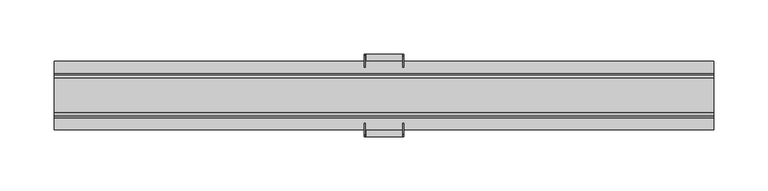
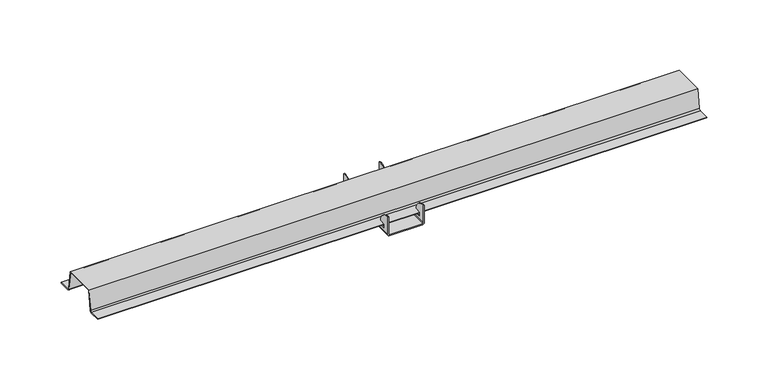
"""IFC4 building model written with IfcOpenShell, lengths in millimetres: proxy geometry."""

from ifc_helpers import new_model, si_unit, point, frame, frame_2d, origin, place, context, project, spatial, polyline, circle_curve, ellipse_curve, trimmed, segment, composite_curve, outline, extrude, source, transform, mapped, element, save
from ifc_brep_helpers import plane_surface, cylinder_surface, revolved_surface, extruded_surface, advanced_brep


def generic_models_40bfc8ae(model_context):
    return source(origin(), model_context, "Body", "SolidModel", [
        advanced_brep(
        [(-16.66875, 38.1, 0.0), (-18.2557888, 38.1, 1.6257615), (-18.2557888, 38.1, 20.1400311), (-17.4595611, 38.1, 20.1400311), (-17.4595611, 38.1, 1.5192584), (-16.66875, 38.1, 0.79375), (16.66875, 38.1, 0.79375), (17.4625, 38.1, 1.5875), (17.4625, 38.1, 20.1400311), (18.2557888, 38.1, 20.1400311), (18.2557888, 38.1, 1.5492385), (16.66875, 38.1, 0.0), (-16.66875, -38.1, 0.0), (16.66875, -38.1, 0.0), (18.2557888, -38.1, 1.5492385), (18.2557888, -38.1, 20.1400311), (17.4625, -38.1, 20.1400311), (17.4625, -38.1, 1.5875), (16.66875, -38.1, 0.79375), (-16.66875, -38.1, 0.79375), (-17.4595611, -38.1, 1.5192584), (-17.4595611, -38.1, 20.1400311), (-18.2557888, -38.1, 20.1400311), (-18.2557888, -38.1, 1.6257615), (-18.2557888, -36.4147924, 20.1400311), (-18.2557888, -25.6591837, 9.3265625), (-18.2557888, -32.1399308, 9.3265625), (-18.2557888, -32.1399308, 4.365625), (-18.2557888, 32.1399308, 4.365625), (-18.2557888, 32.1399308, 9.3265625), (-18.2557888, 25.6591837, 9.3265625), (-18.2557888, 36.4147924, 20.1400311), (-17.4595611, 36.4147924, 20.1400311), (-17.4595611, 25.6591837, 9.3265625), (-17.4595611, 32.1399308, 9.3265625), (-17.4595611, 32.1399308, 4.365625), (-17.4595611, -32.1399308, 4.365625), (-17.4595611, -32.1399308, 9.3265625), (-17.4595611, -25.6591837, 9.3265625), (-17.4595611, -36.4147924, 20.1400311), (17.4625, -36.4147924, 20.1400311), (17.4625, -25.6591837, 9.3265625), (17.4625, -32.1399308, 9.3265625), (17.4625, -32.1399308, 4.365625), (17.4625, 32.1399308, 4.365625), (17.4625, 32.1399308, 9.3265625), (17.4625, 25.6591837, 9.3265625), (17.4625, 36.4147924, 20.1400311), (18.2557888, 36.4147924, 20.1400311), (18.2557888, -36.4147924, 20.1400311), (18.2557888, 25.6591837, 9.3265625), (18.2557888, 32.1399308, 9.3265625), (18.2557888, 32.1399308, 4.365625), (18.2557888, -32.1399308, 4.365625), (18.2557888, -32.1399308, 9.3265625), (18.2557888, -25.6591837, 9.3265625)],
        [
            (0, 1, circle_curve(frame((-16.66875, 38.1, 1.5875), z_axis=(0.0, 1.0, 0.0), x_axis=(-1.0, 0.0, 0.0)), 1.5875)),
            (1, 2),
            (2, 3),
            (3, 4),
            (4, 5, circle_curve(frame((-16.66875, 38.1, 1.5875), z_axis=(0.0, -1.0, 0.0), x_axis=(-1.0, 0.0, 0.0)), 0.79375)),
            (5, 6),
            (6, 7, circle_curve(frame((16.66875, 38.1, 1.5875), z_axis=(0.0, -1.0, 0.0), x_axis=(0.0, 0.0, -1.0)), 0.79375)),
            (7, 8),
            (8, 9),
            (9, 10),
            (10, 11, circle_curve(frame((16.66875, 38.1, 1.5875), z_axis=(0.0, 1.0, 0.0), x_axis=(0.0, 0.0, -1.0)), 1.5875)),
            (11, 0),
            (12, 13),
            (13, 14, circle_curve(frame((16.66875, -38.1, 1.5875), z_axis=(0.0, -1.0, 0.0), x_axis=(0.0, 0.0, -1.0)), 1.5875)),
            (14, 15),
            (15, 16),
            (16, 17),
            (17, 18, circle_curve(frame((16.66875, -38.1, 1.5875), z_axis=(0.0, 1.0, 0.0), x_axis=(0.0, 0.0, -1.0)), 0.79375)),
            (18, 19),
            (19, 20, circle_curve(frame((-16.66875, -38.1, 1.5875), z_axis=(0.0, 1.0, 0.0), x_axis=(-1.0, 0.0, 0.0)), 0.79375)),
            (20, 21),
            (21, 22),
            (22, 23),
            (23, 12, circle_curve(frame((-16.66875, -38.1, 1.5875), z_axis=(0.0, -1.0, 0.0), x_axis=(-1.0, 0.0, 0.0)), 1.5875)),
            (0, 12),
            (23, 1),
            (22, 24),
            (24, 25, ellipse_curve(frame((-18.2557888, -38.1, 9.3265625), z_axis=(-1.0, 0.0, 0.0), x_axis=(0.0, 1.0, 0.0)), 12.4408163, 10.9140625)),
            (25, 26),
            (26, 27),
            (27, 28),
            (28, 29),
            (29, 30),
            (30, 31, ellipse_curve(frame((-18.2557888, 38.1, 9.3265625), z_axis=(-1.0, 0.0, 0.0), x_axis=(0.0, -1.0, 0.0)), 12.4408163, 10.9140625)),
            (31, 2),
            (3, 32),
            (32, 33, ellipse_curve(frame((-17.4595611, 38.1, 9.3265625), z_axis=(1.0, 0.0, 0.0), x_axis=(0.0, -1.0, 0.0)), 12.4408163, 10.9140625)),
            (33, 34),
            (34, 35),
            (35, 36),
            (36, 37),
            (37, 38),
            (38, 39, ellipse_curve(frame((-17.4595611, -38.1, 9.3265625), z_axis=(1.0, 0.0, 0.0), x_axis=(0.0, 1.0, 0.0)), 12.4408163, 10.9140625)),
            (39, 21),
            (20, 4),
            (19, 5),
            (18, 6),
            (17, 7),
            (16, 40),
            (40, 41, ellipse_curve(frame((17.4625, -38.1, 9.3265625), z_axis=(-1.0, 0.0, 0.0), x_axis=(0.0, 1.0, 0.0)), 12.4408163, 10.9140625)),
            (41, 42),
            (42, 43),
            (43, 44),
            (44, 45),
            (45, 46),
            (46, 47, ellipse_curve(frame((17.4625, 38.1, 9.3265625), z_axis=(-1.0, 0.0, 0.0), x_axis=(0.0, -1.0, 0.0)), 12.4408163, 10.9140625)),
            (47, 8),
            (47, 48),
            (48, 9),
            (15, 49),
            (49, 40),
            (48, 50, ellipse_curve(frame((18.2557888, 38.1, 9.3265625), z_axis=(1.0, 0.0, 0.0), x_axis=(0.0, -1.0, 0.0)), 12.4408163, 10.9140625)),
            (50, 51),
            (51, 52),
            (52, 53),
            (53, 54),
            (54, 55),
            (55, 49, ellipse_curve(frame((18.2557888, -38.1, 9.3265625), z_axis=(1.0, 0.0, 0.0), x_axis=(0.0, 1.0, 0.0)), 12.4408163, 10.9140625)),
            (14, 10),
            (13, 11),
            (27, 36),
            (35, 28),
            (43, 53),
            (52, 44),
            (34, 29),
            (51, 45),
            (33, 30),
            (50, 46),
            (32, 31),
            (38, 25),
            (24, 39),
            (55, 41),
            (37, 26),
            (54, 42),
        ],
        [
            plane_surface(frame((-18.25625, 38.1, 1.5875), z_axis=(0.0, 1.0, 0.0), x_axis=(0.0, 0.0, 1.0))),
            plane_surface(frame((-18.25625, -38.1, 1.5875), z_axis=(0.0, -1.0, 0.0), x_axis=(0.0, 0.0, -1.0))),
            cylinder_surface(frame((-16.66875, -38.1, 1.5875), z_axis=(0.0, 1.0, 0.0), x_axis=(-1.0, 0.0, 0.0)), 1.5875),
            plane_surface(frame((-18.2557888, 38.1, 1.6257615), z_axis=(-1.0, 0.0, 0.0), x_axis=(0.0, -1.0, 0.0))),
            plane_surface(frame((-17.4595611, 38.1, 20.1400311), z_axis=(1.0, 0.0, 0.0), x_axis=(0.0, -1.0, 0.0))),
            revolved_surface(polyline([(-17.4625, -38.1, 1.5875), (-17.4625, 38.1, 1.5875)]), (-16.66875, -38.1, 1.5875), (0.0, -1.0, 0.0)),
            plane_surface(frame((-16.66875, 38.1, 0.79375), z_axis=(0.0, 0.0, 1.0), x_axis=(0.0, -1.0, 0.0))),
            revolved_surface(polyline([(16.66875, -38.1, 0.79375), (16.66875, 38.1, 0.79375)]), (16.66875, -38.1, 1.5875), (0.0, -1.0, 0.0)),
            plane_surface(frame((17.4625, 38.1, 1.5875), z_axis=(-1.0, 0.0, 0.0), x_axis=(0.0, -1.0, 0.0))),
            plane_surface(frame((17.4625, 38.1, 20.1400311), z_axis=(0.0, 0.0, 1.0), x_axis=(0.0, -1.0, 0.0))),
            plane_surface(frame((18.2557888, 38.1, 20.1400311), z_axis=(1.0, 0.0, 0.0), x_axis=(0.0, -1.0, 0.0))),
            cylinder_surface(frame((16.66875, -38.1, 1.5875), z_axis=(0.0, 1.0, 0.0), x_axis=(0.0, 0.0, -1.0)), 1.5875),
            plane_surface(frame((16.66875, 38.1, 0.0), z_axis=(0.0, 0.0, -1.0), x_axis=(0.0, -1.0, 0.0))),
            plane_surface(frame((38.1, -32.1399308, 4.365625), z_axis=(0.0, 0.0, 1.0), x_axis=(-1.0, 0.0, 0.0))),
            plane_surface(frame((38.1, 32.1399308, 4.365625), z_axis=(0.0, -1.0, 0.0), x_axis=(-1.0, 0.0, 0.0))),
            plane_surface(frame((38.1, 32.1399308, 9.3265625), z_axis=(0.0, 0.0, -1.0), x_axis=(-1.0, 0.0, 0.0))),
            extruded_surface(trimmed(ellipse_curve(frame((-34.1032962, 38.1, 9.3265625), z_axis=(-1.0, 0.0, 0.0), x_axis=(0.0, -1.0, 0.0)), 12.4408163, 10.9140625), [point((-34.1032962, 25.6591837, 9.3265625))], [point((-34.1032962, 36.4147924, 20.1400311))], True, "CARTESIAN"), (-72.2032962, 0.0, 0.0), 72.2032962),
            extruded_surface(trimmed(ellipse_curve(frame((-34.1032962, -38.1, 9.3265625), z_axis=(-1.0, 0.0, 0.0), x_axis=(0.0, 1.0, 0.0)), 12.4408163, 10.9140625), [point((-34.1032962, -36.4147924, 20.1400311))], [point((-34.1032962, -25.6591837, 9.3265625))], True, "CARTESIAN"), (-72.2032962, 0.0, 0.0), 72.2032962),
            plane_surface(frame((38.1, -25.6591837, 9.3265625), z_axis=(0.0, 0.0, -1.0), x_axis=(-1.0, 0.0, 0.0))),
            plane_surface(frame((38.1, -32.1399308, 9.3265625), z_axis=(0.0, 1.0, 0.0), x_axis=(-1.0, 0.0, 0.0))),
            plane_surface(frame((-18.2557888, 38.1, 20.1400311), z_axis=(0.0, 0.0, 1.0), x_axis=(0.0, -1.0, 0.0))),
        ],
        [
            (0, [[1, 2, 3, 4, 5, 6, 7, 8, 9, 10, 11, 12]]),
            (1, [[13, 14, 15, 16, 17, 18, 19, 20, 21, 22, 23, 24]]),
            (2, [[-1, 25, -24, 26]]),
            (3, [[-2, -26, -23, 27, 28, 29, 30, 31, 32, 33, 34, 35]]),
            (4, [[-4, 36, 37, 38, 39, 40, 41, 42, 43, 44, -21, 45]]),
            (5, [[-5, -45, -20, 46]]),
            (6, [[-6, -46, -19, 47]]),
            (7, [[-7, -47, -18, 48]]),
            (8, [[-8, -48, -17, 49, 50, 51, 52, 53, 54, 55, 56, 57]]),
            (9, [[-9, -57, 58, 59]]),
            (9, [[-16, 60, 61, -49]]),
            (10, [[-10, -59, 62, 63, 64, 65, 66, 67, 68, -60, -15, 69]]),
            (11, [[-11, -69, -14, 70]]),
            (12, [[-12, -70, -13, -25]]),
            (13, [[71, -40, 72, -31]]),
            (13, [[73, -65, 74, -53]]),
            (14, [[-72, -39, 75, -32]]),
            (14, [[-74, -64, 76, -54]]),
            (15, [[-75, -38, 77, -33]]),
            (15, [[-76, -63, 78, -55]]),
            (16, [[-77, -37, 79, -34]]),
            (16, [[-78, -62, -58, -56]]),
            (17, [[80, -28, 81, -43]]),
            (17, [[82, -50, -61, -68]]),
            (18, [[-80, -42, 83, -29]]),
            (18, [[-82, -67, 84, -51]]),
            (19, [[-71, -30, -83, -41]]),
            (19, [[-73, -52, -84, -66]]),
            (20, [[-3, -35, -79, -36]]),
            (20, [[-22, -44, -81, -27]]),
        ],
    ),
        extrude(outline(composite_curve([segment(polyline([(-16.2028566, 29.7599649), (16.2028566, 29.7599649), (18.9436289, 10.5745589)]), True, "CONTINUOUS"), segment(trimmed(circle_curve(frame_2d((20.5151737, 10.7990653)), 1.5875), [point((18.9436289, 10.5745589))], [point((20.5151737, 9.2115653))], True, "CARTESIAN"), True, "CONTINUOUS"), segment(polyline([(20.5151737, 9.2115653), (31.6701885, 9.2115653), (31.6701885, 8.3411031), (20.5296078, 8.3411031)]), True, "CONTINUOUS"), segment(trimmed(circle_curve(frame_2d((20.5296078, 10.3254781)), 1.984375), [point((20.5296078, 8.3411031))], [point((18.5651768, 10.0448451))], False, "CARTESIAN"), True, "CONTINUOUS"), segment(polyline([(18.5651768, 10.0448451), (15.8054275, 29.3630899), (-15.8054275, 29.3630899), (-18.5651768, 10.0448451)]), True, "CONTINUOUS"), segment(trimmed(circle_curve(frame_2d((-20.5296078, 10.3254781)), 1.984375), [point((-18.5651768, 10.0448451))], [point((-20.5296078, 8.3411031))], False, "CARTESIAN"), True, "CONTINUOUS"), segment(polyline([(-20.5296078, 8.3411031), (-31.6701885, 8.3411031), (-31.6701885, 9.2115653), (-20.5151737, 9.2115653)]), True, "CONTINUOUS"), segment(trimmed(circle_curve(frame_2d((-20.5151737, 10.7990653)), 1.5875), [point((-20.5151737, 9.2115653))], [point((-18.9436289, 10.5745589))], True, "CARTESIAN"), True, "CONTINUOUS"), segment(polyline([(-18.9436289, 10.5745589), (-16.2028566, 29.7599649)]), True, "CONTINUOUS")], self_intersect=False)), frame((-304.8, 0.0, 0.0), z_axis=(1.0, 0.0, 0.0), x_axis=(0.0, 1.0, 0.0)), (0.0, 0.0, 1.0), 609.6),
    ])


if __name__ == "__main__":
    model = new_model("IFC4")
    model_context = context("Model", 3, world=origin())
    ifc_project = project(units=[si_unit("LENGTHUNIT", "METRE", prefix="MILLI")], contexts=[model_context])
    site = spatial("IfcSite", under=ifc_project)
    building = spatial("IfcBuilding", under=site)
    placement = place(None, origin())
    generic_models_shape = generic_models_40bfc8ae(model_context)
    element("IfcBuildingElementProxy", 1, Name="Generic Models", at=placement, inside=building, context=model_context, shape_type="MappedRepresentation", body=[
        mapped(generic_models_shape, transform((0.0, 0.0, 0.0), x_axis=(1.0, 0.0, 0.0), y_axis=(0.0, 1.0, 0.0), z_axis=(0.0, 0.0, 1.0))),
    ])
    save(model, "model.ifc")
